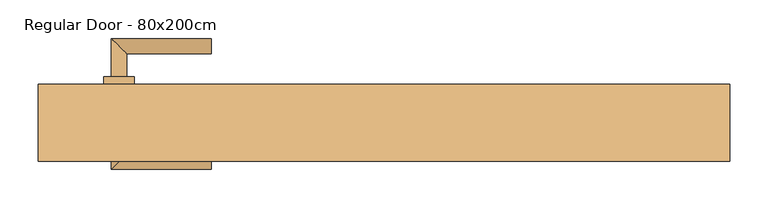
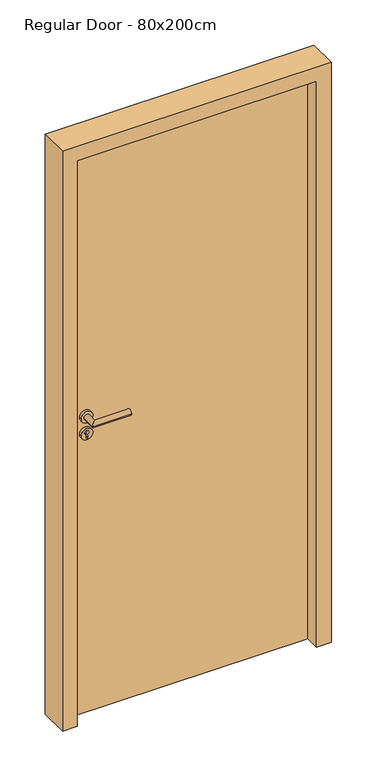
"""IFC4 building model written with IfcOpenShell, lengths in millimetres: door geometry, Regular Door - 80x200cm."""

from ifc_helpers import new_model, si_unit, point, frame, frame_2d, origin, origin_with_axes, place, context, project, spatial, polyline, circle_curve, ellipse_curve, trimmed, segment, composite_curve, outline, extrude, faceted_brep, source, transform, mapped, element, save
from ifc_brep_helpers import plane_surface, cylinder_surface, advanced_brep


def regular_door_80x200cm_9f07fa57(model_context):
    return source(origin(), model_context, "Body", "SolidModel", [
        extrude(outline(polyline([(411.0, 50.0), (411.0, 0.0), (-411.0, 0.0), (-411.0, 50.0), (411.0, 50.0)])), origin_with_axes(), (0.0, 0.0, 1.0), 2011.0),
        advanced_brep(
        [(-335.0, 60.0, 1050.0), (-355.0, 60.0, 1050.0), (-335.0, 90.0, 1050.0), (-355.0, 110.0, 1050.0), (-225.0, 90.0, 1050.0), (-225.0, 110.0, 1050.0)],
        [
            (0, 1, circle_curve(frame((-345.0, 60.0, 1050.0), z_axis=(0.0, -1.0, 0.0), x_axis=(-1.0, 0.0, 0.0)), 10.0)),
            (1, 0, circle_curve(frame((-345.0, 60.0, 1050.0), z_axis=(0.0, -1.0, 0.0), x_axis=(-1.0, 0.0, 0.0)), 10.0)),
            (0, 2),
            (2, 3, ellipse_curve(frame((-345.0, 100.0, 1050.0), z_axis=(-0.7071067811865531, -0.7071067811865419, 0.0), x_axis=(0.707106781186542, -0.707106781186553, 0.0)), 14.1421356, 10.0)),
            (3, 1),
            (3, 2, ellipse_curve(frame((-345.0, 100.0, 1050.0), z_axis=(-0.7071067811865531, -0.7071067811865419, 0.0), x_axis=(0.707106781186542, -0.707106781186553, 0.0)), 14.1421356, 10.0)),
            (4, 5, circle_curve(frame((-225.0, 100.0, 1050.0), z_axis=(1.0, 0.0, 0.0), x_axis=(0.0, 1.0, 0.0)), 10.0)),
            (5, 4, circle_curve(frame((-225.0, 100.0, 1050.0), z_axis=(1.0, 0.0, 0.0), x_axis=(0.0, 1.0, 0.0)), 10.0)),
            (2, 4),
            (5, 3),
        ],
        [
            plane_surface(frame((-345.0, 60.0, 1050.0), z_axis=(0.0, -1.0, 0.0), x_axis=(0.0, 0.0, 1.0))),
            cylinder_surface(frame((-345.0, 60.0, 1050.0), z_axis=(0.0, -1.0, 0.0), x_axis=(-1.0, 0.0, 0.0)), 10.0),
            plane_surface(frame((-225.0, 100.0, 1050.0), z_axis=(1.0, 0.0, 0.0), x_axis=(0.0, 0.0, 1.0))),
            cylinder_surface(frame((-345.0, 100.0, 1050.0), z_axis=(-1.0, 0.0, 0.0), x_axis=(0.0, 1.0, 0.0)), 10.0),
        ],
        [
            (0, [[1, 2]]),
            (1, [[-1, 3, 4, 5]]),
            (1, [[-2, -5, 6, -3]]),
            (2, [[7, 8]]),
            (3, [[-4, 9, -8, 10]]),
            (3, [[-6, -10, -7, -9]]),
        ],
    ),
        extrude(outline(composite_curve([segment(trimmed(circle_curve(frame_2d((990.0, -345.0)), 20.0), [point((990.0, -365.0))], [point((990.0, -325.0))], False, "CARTESIAN"), True, "CONTINUOUS"), segment(trimmed(circle_curve(frame_2d((990.0, -345.0)), 20.0), [point((990.0, -325.0))], [point((990.0, -365.0))], False, "CARTESIAN"), True, "CONTINUOUS")], self_intersect=False), holes=[composite_curve([segment(polyline([(976.4601385, -347.397268), (988.4749012, -347.397268)]), True, "CONTINUOUS"), segment(trimmed(circle_curve(frame_2d((995.0361633, -345.0)), 6.9854888), [point((988.4749012, -347.397268))], [point((988.4749012, -342.602732))], True, "CARTESIAN"), True, "CONTINUOUS"), segment(polyline([(988.4749012, -342.602732), (976.4601385, -342.602732)]), True, "CONTINUOUS"), segment(trimmed(circle_curve(frame_2d((976.4601385, -345.0)), 2.397268), [point((976.4601385, -342.602732))], [point((976.4601385, -347.397268))], True, "CARTESIAN"), True, "CONTINUOUS")], self_intersect=False)]), frame((0.0, 50.0, 0.0), z_axis=(0.0, 1.0, 0.0), x_axis=(0.0, 0.0, 1.0)), (0.0, 0.0, 1.0), 10.0),
        advanced_brep(
        [(-335.0, 60.0, 1050.0), (-355.0, 60.0, 1050.0), (-335.0, 90.0, 1050.0), (-355.0, 110.0, 1050.0), (-225.0, 90.0, 1050.0), (-225.0, 110.0, 1050.0)],
        [
            (0, 1, circle_curve(frame((-345.0, 60.0, 1050.0), z_axis=(0.0, -1.0, 0.0), x_axis=(-1.0, 0.0, 0.0)), 10.0)),
            (1, 0, circle_curve(frame((-345.0, 60.0, 1050.0), z_axis=(0.0, -1.0, 0.0), x_axis=(-1.0, 0.0, 0.0)), 10.0)),
            (0, 2),
            (2, 3, ellipse_curve(frame((-345.0, 100.0, 1050.0), z_axis=(-0.7071067811865537, -0.7071067811865414, 0.0), x_axis=(0.7071067811865414, -0.7071067811865536, 0.0)), 14.1421356, 10.0)),
            (3, 1),
            (3, 2, ellipse_curve(frame((-345.0, 100.0, 1050.0), z_axis=(-0.7071067811865537, -0.7071067811865414, 0.0), x_axis=(0.7071067811865414, -0.7071067811865536, 0.0)), 14.1421356, 10.0)),
            (4, 5, circle_curve(frame((-225.0, 100.0, 1050.0), z_axis=(1.0, 0.0, 0.0), x_axis=(0.0, 1.0, 0.0)), 10.0)),
            (5, 4, circle_curve(frame((-225.0, 100.0, 1050.0), z_axis=(1.0, 0.0, 0.0), x_axis=(0.0, 1.0, 0.0)), 10.0)),
            (2, 4),
            (5, 3),
        ],
        [
            plane_surface(frame((-345.0, 60.0, 1050.0), z_axis=(0.0, -1.0, 0.0), x_axis=(0.0, 0.0, 1.0))),
            cylinder_surface(frame((-345.0, 60.0, 1050.0), z_axis=(0.0, -1.0, 0.0), x_axis=(-1.0, 0.0, 0.0)), 10.0),
            plane_surface(frame((-225.0, 100.0, 1050.0), z_axis=(1.0, 0.0, 0.0), x_axis=(0.0, 0.0, 1.0))),
            cylinder_surface(frame((-345.0, 100.0, 1050.0), z_axis=(-1.0, 0.0, 0.0), x_axis=(0.0, 1.0, 0.0)), 10.0),
        ],
        [
            (0, [[1, 2]]),
            (1, [[-1, 3, 4, 5]]),
            (1, [[-2, -5, 6, -3]]),
            (2, [[7, 8]]),
            (3, [[-4, 9, -8, 10]]),
            (3, [[-6, -10, -7, -9]]),
        ],
    ),
        extrude(outline(composite_curve([segment(trimmed(circle_curve(frame_2d((1050.0, -345.0)), 20.0), [point((1050.0, -365.0))], [point((1050.0, -325.0))], False, "CARTESIAN"), True, "CONTINUOUS"), segment(trimmed(circle_curve(frame_2d((1050.0, -345.0)), 20.0), [point((1050.0, -325.0))], [point((1050.0, -365.0))], False, "CARTESIAN"), True, "CONTINUOUS")], self_intersect=False)), frame((0.0, 50.0, 0.0), z_axis=(0.0, 1.0, 0.0), x_axis=(0.0, 0.0, 1.0)), (0.0, 0.0, 1.0), 10.0),
        advanced_brep(
        [(-335.0, -10.0, 1050.0), (-355.0, -10.0, 1050.0), (-355.0, -60.0, 1050.0), (-335.0, -40.0, 1050.0), (-225.0, -40.0, 1050.0), (-225.0, -60.0, 1050.0)],
        [
            (0, 1, circle_curve(frame((-345.0, -10.0, 1050.0), z_axis=(0.0, 1.0, 0.0), x_axis=(-1.0, 0.0, 0.0)), 10.0)),
            (1, 0, circle_curve(frame((-345.0, -10.0, 1050.0), z_axis=(0.0, 1.0, 0.0), x_axis=(-1.0, 0.0, 0.0)), 10.0)),
            (1, 2),
            (2, 3, ellipse_curve(frame((-345.0, -50.0, 1050.0), z_axis=(-0.7071067811865486, 0.7071067811865464, 0.0), x_axis=(0.7071067811865464, 0.7071067811865488, 0.0)), 14.1421356, 10.0)),
            (3, 0),
            (3, 2, ellipse_curve(frame((-345.0, -50.0, 1050.0), z_axis=(-0.7071067811865486, 0.7071067811865464, 0.0), x_axis=(0.7071067811865464, 0.7071067811865488, 0.0)), 14.1421356, 10.0)),
            (4, 5, circle_curve(frame((-225.0, -50.0, 1050.0), z_axis=(1.0, 0.0, 0.0), x_axis=(0.0, -1.0, 0.0)), 10.0)),
            (5, 4, circle_curve(frame((-225.0, -50.0, 1050.0), z_axis=(1.0, 0.0, 0.0), x_axis=(0.0, -1.0, 0.0)), 10.0)),
            (2, 5),
            (4, 3),
        ],
        [
            plane_surface(frame((-345.0, -10.0, 1050.0), z_axis=(0.0, 1.0, 0.0), x_axis=(0.0, 0.0, 1.0))),
            cylinder_surface(frame((-345.0, -10.0, 1050.0), z_axis=(0.0, 1.0, 0.0), x_axis=(-1.0, 0.0, 0.0)), 10.0),
            plane_surface(frame((-225.0, -50.0, 1050.0), z_axis=(1.0, 0.0, 0.0), x_axis=(0.0, 0.0, 1.0))),
            cylinder_surface(frame((-345.0, -50.0, 1050.0), z_axis=(-1.0, 0.0, 0.0), x_axis=(0.0, -1.0, 0.0)), 10.0),
        ],
        [
            (0, [[1, 2]]),
            (1, [[3, 4, 5, -2]]),
            (1, [[-5, 6, -3, -1]]),
            (2, [[7, 8]]),
            (3, [[9, -7, 10, -4]]),
            (3, [[-10, -8, -9, -6]]),
        ],
    ),
        extrude(outline(composite_curve([segment(trimmed(circle_curve(frame_2d((990.0, -345.0)), 20.0), [point((990.0, -365.0))], [point((990.0, -325.0))], False, "CARTESIAN"), True, "CONTINUOUS"), segment(trimmed(circle_curve(frame_2d((990.0, -345.0)), 20.0), [point((990.0, -325.0))], [point((990.0, -365.0))], False, "CARTESIAN"), True, "CONTINUOUS")], self_intersect=False), holes=[composite_curve([segment(polyline([(976.4601385, -347.397268), (988.4749012, -347.397268)]), True, "CONTINUOUS"), segment(trimmed(circle_curve(frame_2d((995.0361633, -345.0)), 6.9854888), [point((988.4749012, -347.397268))], [point((988.4749012, -342.602732))], True, "CARTESIAN"), True, "CONTINUOUS"), segment(polyline([(988.4749012, -342.602732), (976.4601385, -342.602732)]), True, "CONTINUOUS"), segment(trimmed(circle_curve(frame_2d((976.4601385, -345.0)), 2.397268), [point((976.4601385, -342.602732))], [point((976.4601385, -347.397268))], True, "CARTESIAN"), True, "CONTINUOUS")], self_intersect=False)]), frame((0.0, -10.0, 0.0), z_axis=(0.0, 1.0, 0.0), x_axis=(0.0, 0.0, 1.0)), (0.0, 0.0, 1.0), 10.0),
        advanced_brep(
        [(-335.0, -10.0, 1050.0), (-355.0, -10.0, 1050.0), (-355.0, -60.0, 1050.0), (-335.0, -40.0, 1050.0), (-225.0, -40.0, 1050.0), (-225.0, -60.0, 1050.0)],
        [
            (0, 1, circle_curve(frame((-345.0, -10.0, 1050.0), z_axis=(0.0, 1.0, 0.0), x_axis=(-1.0, 0.0, 0.0)), 10.0)),
            (1, 0, circle_curve(frame((-345.0, -10.0, 1050.0), z_axis=(0.0, 1.0, 0.0), x_axis=(-1.0, 0.0, 0.0)), 10.0)),
            (1, 2),
            (2, 3, ellipse_curve(frame((-345.0, -50.0, 1050.0), z_axis=(-0.7071067811865491, 0.7071067811865459, 0.0), x_axis=(0.7071067811865458, 0.7071067811865492, 0.0)), 14.1421356, 10.0)),
            (3, 0),
            (3, 2, ellipse_curve(frame((-345.0, -50.0, 1050.0), z_axis=(-0.7071067811865491, 0.7071067811865459, 0.0), x_axis=(0.7071067811865458, 0.7071067811865492, 0.0)), 14.1421356, 10.0)),
            (4, 5, circle_curve(frame((-225.0, -50.0, 1050.0), z_axis=(1.0, 0.0, 0.0), x_axis=(0.0, -1.0, 0.0)), 10.0)),
            (5, 4, circle_curve(frame((-225.0, -50.0, 1050.0), z_axis=(1.0, 0.0, 0.0), x_axis=(0.0, -1.0, 0.0)), 10.0)),
            (2, 5),
            (4, 3),
        ],
        [
            plane_surface(frame((-345.0, -10.0, 1050.0), z_axis=(0.0, 1.0, 0.0), x_axis=(0.0, 0.0, 1.0))),
            cylinder_surface(frame((-345.0, -10.0, 1050.0), z_axis=(0.0, 1.0, 0.0), x_axis=(-1.0, 0.0, 0.0)), 10.0),
            plane_surface(frame((-225.0, -50.0, 1050.0), z_axis=(1.0, 0.0, 0.0), x_axis=(0.0, 0.0, 1.0))),
            cylinder_surface(frame((-345.0, -50.0, 1050.0), z_axis=(-1.0, 0.0, 0.0), x_axis=(0.0, -1.0, 0.0)), 10.0),
        ],
        [
            (0, [[1, 2]]),
            (1, [[3, 4, 5, -2]]),
            (1, [[-5, 6, -3, -1]]),
            (2, [[7, 8]]),
            (3, [[9, -7, 10, -4]]),
            (3, [[-10, -8, -9, -6]]),
        ],
    ),
        extrude(outline(composite_curve([segment(trimmed(circle_curve(frame_2d((1050.0, -345.0)), 20.0), [point((1050.0, -365.0))], [point((1050.0, -325.0))], False, "CARTESIAN"), True, "CONTINUOUS"), segment(trimmed(circle_curve(frame_2d((1050.0, -345.0)), 20.0), [point((1050.0, -325.0))], [point((1050.0, -365.0))], False, "CARTESIAN"), True, "CONTINUOUS")], self_intersect=False)), frame((0.0, -10.0, 0.0), z_axis=(0.0, 1.0, 0.0), x_axis=(0.0, 0.0, 1.0)), (0.0, 0.0, 1.0), 10.0),
        faceted_brep([(-415.0, 50.0, 0.0), (-415.0, 0.0, 0.0), (-400.0, 0.0, 0.0), (-400.0, -50.0, 0.0), (-450.0, -50.0, 0.0), (-450.0, 50.0, 0.0), (-450.0, 50.0, 2050.0), (450.0, 50.0, 2050.0), (450.0, 50.0, 0.0), (415.0, 50.0, 0.0), (415.0, 50.0, 2015.0), (-415.0, 50.0, 2015.0), (-450.0, -50.0, 2050.0), (-400.0, -50.0, 2000.0), (400.0, -50.0, 2000.0), (400.0, -50.0, 0.0), (450.0, -50.0, 0.0), (450.0, -50.0, 2050.0), (-400.0, 0.0, 2000.0), (-415.0, 0.0, 2015.0), (415.0, 0.0, 2015.0), (415.0, 0.0, 0.0), (400.0, 0.0, 0.0), (400.0, 0.0, 2000.0)], [[[0, 1, 2, 3, 4, 5]], [[0, 5, 6, 7, 8, 9, 10, 11]], [[5, 4, 12, 6]], [[4, 3, 13, 14, 15, 16, 17, 12]], [[3, 2, 18, 13]], [[2, 1, 19, 20, 21, 22, 23, 18]], [[1, 0, 11, 19]], [[20, 10, 9, 21]], [[9, 8, 16, 15, 22, 21]], [[7, 17, 16, 8]], [[14, 23, 22, 15]], [[6, 12, 17, 7]], [[13, 18, 23, 14]], [[19, 11, 10, 20]]]),
    ])


if __name__ == "__main__":
    model = new_model("IFC4")
    model_context = context("Model", 3, world=origin())
    ifc_project = project(units=[si_unit("LENGTHUNIT", "METRE", prefix="MILLI")], contexts=[model_context])
    site = spatial("IfcSite", under=ifc_project)
    building = spatial("IfcBuilding", under=site)
    placement = place(None, origin())
    regular_door_80x200cm_shape = regular_door_80x200cm_9f07fa57(model_context)
    element("IfcDoor", 1, ObjectType="Regular Door - 80x200cm", at=placement, inside=building, context=model_context, shape_type="MappedRepresentation", body=[
        mapped(regular_door_80x200cm_shape, transform((0.0, 0.0, 0.0), x_axis=(1.0, 0.0, 0.0), y_axis=(0.0, 1.0, 0.0), z_axis=(0.0, 0.0, 1.0))),
    ])
    save(model, "model.ifc")
